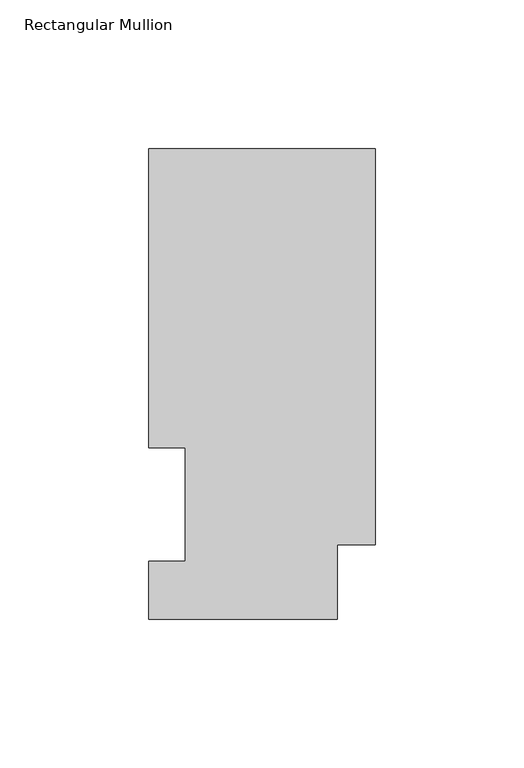
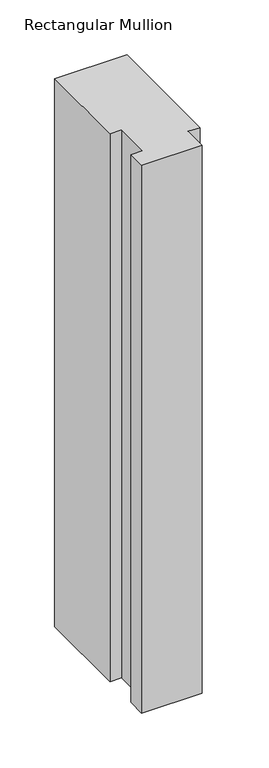
"""IFC4 building model written with IfcOpenShell, lengths in millimetres: member geometry, Rectangular Mullion."""

from ifc_helpers import new_model, si_unit, frame, origin, place, context, project, spatial, polyline, outline, extrude, source, transform, mapped, element, save


def rectangular_mullion_0d55e637(model_context):
    return source(origin(), model_context, "Body", "SweptSolid", [
        extrude(outline(polyline([(0.0, 25.0832937), (-12.7, 25.0832937), (-12.7, 0.0134938), (-76.2, 0.0134938), (-76.2, 19.5460937), (-63.8581605, 19.5460937), (-63.8581605, 57.6460937), (-76.2, 57.6460937), (-76.2, 158.3316937), (0.0, 158.3316937), (0.0, 25.0832937)])), frame((0.0, 0.0, -609.6), z_axis=(0.0, 0.0, 1.0), x_axis=(1.0, 0.0, 0.0)), (0.0, 0.0, 1.0), 609.6),
    ])


if __name__ == "__main__":
    model = new_model("IFC4")
    model_context = context("Model", 3, world=origin())
    ifc_project = project(units=[si_unit("LENGTHUNIT", "METRE", prefix="MILLI")], contexts=[model_context])
    site = spatial("IfcSite", under=ifc_project)
    building = spatial("IfcBuilding", under=site)
    placement = place(None, origin())
    rectangular_mullion_shape = rectangular_mullion_0d55e637(model_context)
    element("IfcMember", 1, ObjectType="Rectangular Mullion", at=placement, inside=building, context=model_context, shape_type="MappedRepresentation", body=[
        mapped(rectangular_mullion_shape, transform((0.0, 0.0, 0.0), x_axis=(1.0, 0.0, 0.0), y_axis=(0.0, 1.0, 0.0), z_axis=(0.0, 0.0, 1.0))),
    ])
    save(model, "model.ifc")
